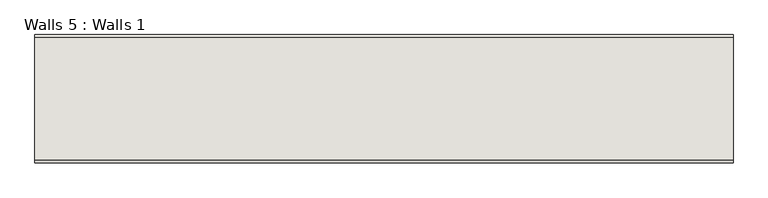
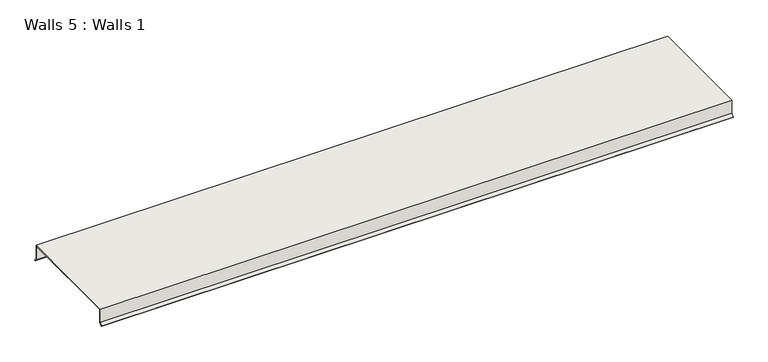
"""IFC4 building model written with IfcOpenShell, lengths in millimetres: wall geometry, Walls 5 : Walls 1."""

from ifc_helpers import new_model, si_unit, frame, origin, place, context, project, spatial, polyline, outline, extrude, source, transform, mapped, element, save


def walls_5_walls_1_3273a508(model_context):
    return source(origin(), model_context, "Body", "SweptSolid", [
        extrude(outline(polyline([(4767.8986451, 491.3191505), (4767.8986451, 446.8691505), (4758.918389, 437.8888944), (4756.6733249, 440.1339584), (4764.7236451, 448.1842786), (4764.7236451, 494.4941505), (5126.6736451, 494.4941505), (5126.6736451, 448.1842786), (5134.7239653, 440.1339584), (5132.4789012, 437.8888944), (5123.4986451, 446.8691505), (5123.4986451, 491.3191505), (4767.8986451, 491.3191505)])), frame((-2955.2207489, 0.0, 0.0), z_axis=(1.0, 0.0, 0.0), x_axis=(0.0, 1.0, 0.0)), (0.0, 0.0, 1.0), 2057.4),
    ])


if __name__ == "__main__":
    model = new_model("IFC4")
    model_context = context("Model", 3, world=origin())
    ifc_project = project(units=[si_unit("LENGTHUNIT", "METRE", prefix="MILLI")], contexts=[model_context])
    site = spatial("IfcSite", under=ifc_project)
    building = spatial("IfcBuilding", under=site)
    placement = place(None, origin())
    walls_5_walls_1_shape = walls_5_walls_1_3273a508(model_context)
    element("IfcWall", 1, ObjectType="Walls 5 : Walls 1", at=placement, inside=building, context=model_context, shape_type="MappedRepresentation", body=[
        mapped(walls_5_walls_1_shape, transform((0.0, 0.0, 0.0), x_axis=(1.0, 0.0, 0.0), y_axis=(0.0, 1.0, 0.0), z_axis=(0.0, 0.0, 1.0))),
    ])
    save(model, "model.ifc")
